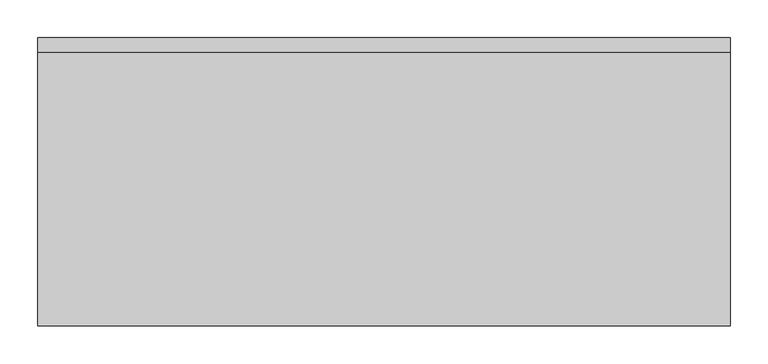
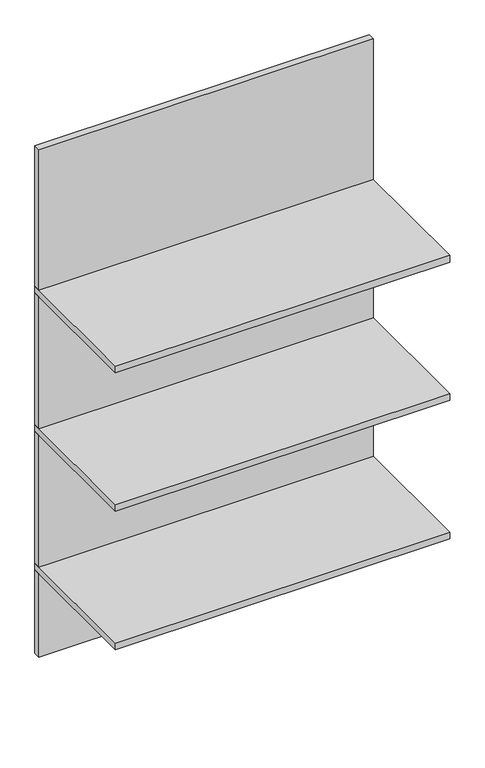
"""IFC4 building model written with IfcOpenShell, lengths in millimetres: furniture geometry."""

from ifc_helpers import new_model, si_unit, frame, origin, place, context, project, spatial, polyline, outline, extrude, source, transform, mapped, element, save


def furniture_92d8be39(model_context):
    return source(origin(), model_context, "Body", "SweptSolid", [
        extrude(outline(polyline([(444.5, -12.7), (444.5, -31.75), (-469.9, -31.75), (-469.9, -12.7), (444.5, -12.7)])), frame((0.0, 0.0, 590.55), z_axis=(0.0, 0.0, 1.0), x_axis=(1.0, 0.0, 0.0)), (0.0, 0.0, 1.0), 241.3),
        extrude(outline(polyline([(444.5, -12.7), (444.5, -31.75), (-469.9, -31.75), (-469.9, -12.7), (444.5, -12.7)])), frame((0.0, 0.0, 850.9), z_axis=(0.0, 0.0, 1.0), x_axis=(1.0, 0.0, 0.0)), (0.0, 0.0, 1.0), 381.0),
        extrude(outline(polyline([(444.5, -12.7), (444.5, -31.75), (-469.9, -31.75), (-469.9, -12.7), (444.5, -12.7)])), frame((0.0, 0.0, 1250.95), z_axis=(0.0, 0.0, 1.0), x_axis=(1.0, 0.0, 0.0)), (0.0, 0.0, 1.0), 381.0),
        extrude(outline(polyline([(444.5, -12.7), (444.5, -393.7), (-469.9, -393.7), (-469.9, -12.7), (444.5, -12.7)])), frame((0.0, 0.0, 831.85), z_axis=(0.0, 0.0, 1.0), x_axis=(1.0, 0.0, 0.0)), (0.0, 0.0, 1.0), 19.05),
        extrude(outline(polyline([(444.5, -12.7), (444.5, -393.7), (-469.9, -393.7), (-469.9, -12.7), (444.5, -12.7)])), frame((0.0, 0.0, 1231.9), z_axis=(0.0, 0.0, 1.0), x_axis=(1.0, 0.0, 0.0)), (0.0, 0.0, 1.0), 19.05),
        extrude(outline(polyline([(444.5, -12.7), (444.5, -393.7), (-469.9, -393.7), (-469.9, -12.7), (444.5, -12.7)])), frame((0.0, 0.0, 1631.95), z_axis=(0.0, 0.0, 1.0), x_axis=(1.0, 0.0, 0.0)), (0.0, 0.0, 1.0), 19.05),
        extrude(outline(polyline([(444.5, -12.7), (444.5, -31.75), (-469.9, -31.75), (-469.9, -12.7), (444.5, -12.7)])), frame((0.0, 0.0, 1651.0), z_axis=(0.0, 0.0, 1.0), x_axis=(1.0, 0.0, 0.0)), (0.0, 0.0, 1.0), 406.4),
    ])


if __name__ == "__main__":
    model = new_model("IFC4")
    model_context = context("Model", 3, world=origin())
    ifc_project = project(units=[si_unit("LENGTHUNIT", "METRE", prefix="MILLI")], contexts=[model_context])
    site = spatial("IfcSite", under=ifc_project)
    building = spatial("IfcBuilding", under=site)
    placement = place(None, origin())
    furniture_shape = furniture_92d8be39(model_context)
    element("IfcFurniture", 1, at=placement, inside=building, context=model_context, shape_type="MappedRepresentation", body=[
        mapped(furniture_shape, transform((0.0, 0.0, 0.0), x_axis=(1.0, 0.0, 0.0), y_axis=(0.0, 1.0, 0.0), z_axis=(0.0, 0.0, 1.0))),
    ])
    save(model, "model.ifc")
